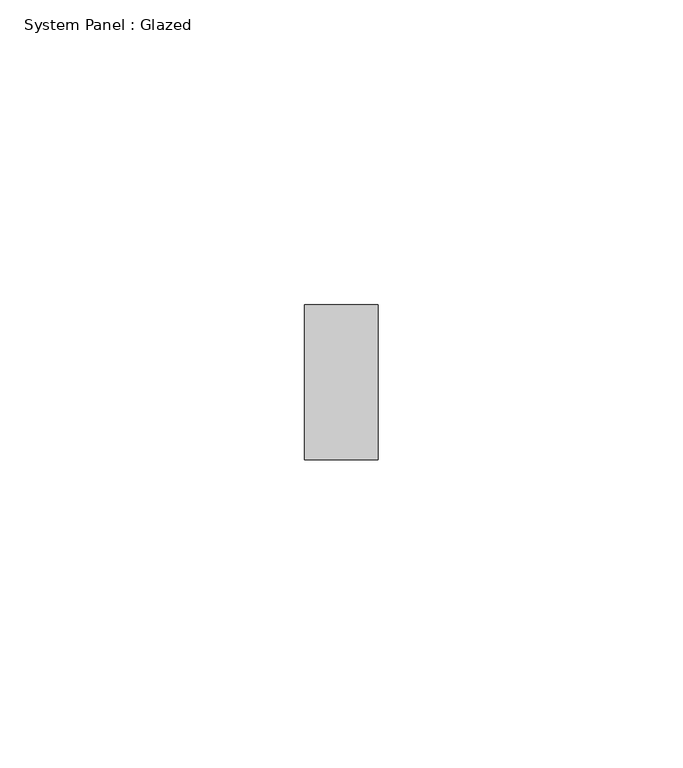
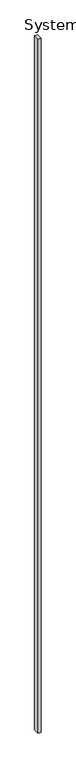
"""IFC4 building model written with IfcOpenShell, lengths in millimetres: plate geometry, System Panel : Glazed."""

from ifc_helpers import new_model, si_unit, origin, origin_with_axes, place, context, project, spatial, polyline, outline, extrude, source, transform, mapped, element, save


def system_panel_glazed_f57309b3(model_context):
    return source(origin(), model_context, "Body", "SweptSolid", [
        extrude(outline(polyline([(6.0258039, 25.4), (-6.0258039, 25.4), (-6.0258039, 50.8), (6.0258039, 50.8), (6.0258039, 25.4)])), origin_with_axes(), (0.0, 0.0, 1.0), 3048.0),
    ])


if __name__ == "__main__":
    model = new_model("IFC4")
    model_context = context("Model", 3, world=origin())
    ifc_project = project(units=[si_unit("LENGTHUNIT", "METRE", prefix="MILLI")], contexts=[model_context])
    site = spatial("IfcSite", under=ifc_project)
    building = spatial("IfcBuilding", under=site)
    placement = place(None, origin())
    system_panel_glazed_shape = system_panel_glazed_f57309b3(model_context)
    element("IfcPlate", 1, ObjectType="System Panel : Glazed", at=placement, inside=building, context=model_context, shape_type="MappedRepresentation", body=[
        mapped(system_panel_glazed_shape, transform((0.0, 0.0, 0.0), x_axis=(1.0, 0.0, 0.0), y_axis=(0.0, 1.0, 0.0), z_axis=(0.0, 0.0, 1.0))),
    ])
    save(model, "model.ifc")
